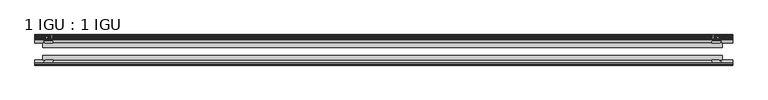
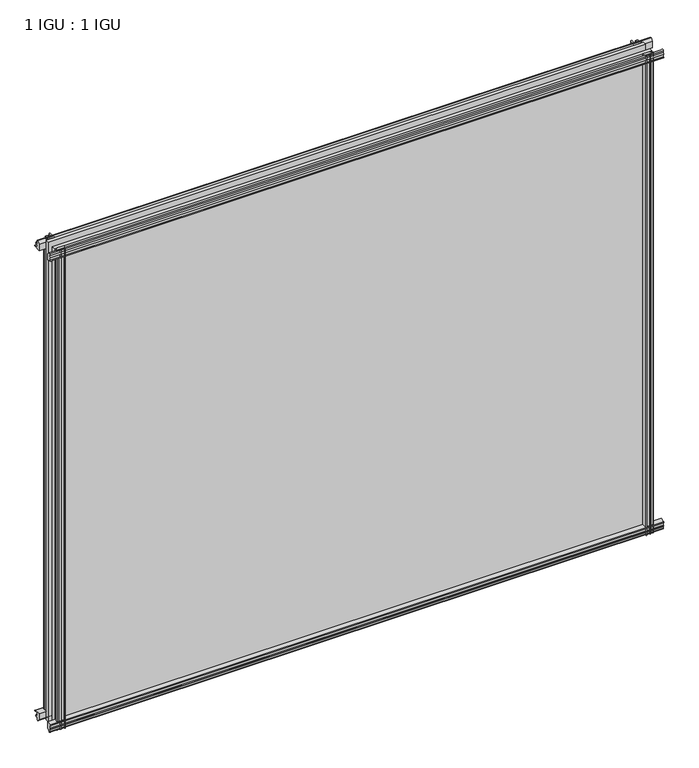
"""IFC4 building model written with IfcOpenShell, lengths in millimetres: plate geometry, 1 IGU : 1 IGU."""

import ifcopenshell
import ifcopenshell.guid

model = None  # the IFC model being written
_history = None  # IfcOwnerHistory: only IFC2X3 demands one
_inside = {}  # id of a spatial element -> (the spatial element, [elements in it])
_under = {}  # id of a project, library or spatial element -> (it, [spatial elements below it])
_declared = {}  # id of a project -> (the project, [libraries it declares])
_typed = {}  # id of a type object -> (the type object, [elements of that type])
_made_of = {}  # id of a material, layer set ... -> (it, [elements and type objects made of it])


def new_model(schema):
    """Start an empty IFC model of exactly this schema.

    Asked for "IFC4X3", IfcOpenShell would pick the latest addendum, in which some entities
    have other attributes; the version numbers below select the first issue.
    IFC2X3 requires an IfcOwnerHistory on every rooted entity: one is made here for all.
    """
    global model, _history
    if schema == "IFC4X3":
        model = ifcopenshell.file(schema_version=(4, 3, 0, 0))
    else:
        model = ifcopenshell.file(schema=schema)
    _inside.clear()
    _under.clear()
    _declared.clear()
    _typed.clear()
    _made_of.clear()
    _history = None
    if model.schema == "IFC2X3":
        org = make("IfcOrganization", Name="unknown")
        user = make(
            "IfcPersonAndOrganization",
            ThePerson=make("IfcPerson", FamilyName="unknown"),
            TheOrganization=org,
        )
        app = make(
            "IfcApplication",
            ApplicationDeveloper=org,
            Version="unknown",
            ApplicationFullName="unknown",
            ApplicationIdentifier="unknown",
        )
        _history = make(
            "IfcOwnerHistory",
            OwningUser=user,
            OwningApplication=app,
            ChangeAction="ADDED",
            CreationDate=0,
        )
    return model


def make(cls, **values):
    """One entity of the class cls with the attributes given. An attribute that is None is left unset."""
    return model.create_entity(
        cls, **{name: value for name, value in values.items() if value is not None}
    )


def rooted(cls, **values):
    """An entity with a GlobalId (a new one), such as an element, a storey or a relation."""
    return make(cls, GlobalId=ifcopenshell.guid.new(), OwnerHistory=_history, **values)


def si_unit(unit_type, name, prefix=None):
    """IfcSIUnit, for example si_unit("LENGTHUNIT", "METRE", prefix="MILLI")."""
    return make("IfcSIUnit", UnitType=unit_type, Prefix=prefix, Name=name)


def assignment(units):
    """IfcUnitAssignment: the units of a project."""
    return None if units is None else make("IfcUnitAssignment", Units=units)


def point(xyz):
    """IfcCartesianPoint."""
    return None if xyz is None else make("IfcCartesianPoint", Coordinates=xyz)


def direction(xyz):
    """IfcDirection."""
    return None if xyz is None else make("IfcDirection", DirectionRatios=xyz)


def frame(location, z_axis=None, x_axis=None):
    """IfcAxis2Placement3D, a coordinate frame: its origin and axes. An axis left out is left unset."""
    return make(
        "IfcAxis2Placement3D",
        Location=point(location),
        Axis=direction(z_axis),
        RefDirection=direction(x_axis),
    )


def frame_2d(location, x_axis=None):
    """IfcAxis2Placement2D, a coordinate frame in the plane: its origin and x axis."""
    return make(
        "IfcAxis2Placement2D", Location=point(location), RefDirection=direction(x_axis)
    )


def origin():
    """The frame at (0, 0, 0) with its axes left unset."""
    return frame((0.0, 0.0, 0.0))


def place(relative_to, where):
    """IfcLocalPlacement: puts the frame where relative to a parent placement (None: the world)."""
    return make(
        "IfcLocalPlacement", PlacementRelTo=relative_to, RelativePlacement=where
    )


def context(
    kind, dimensions, precision=None, world=None, true_north=None, identifier=None
):
    """IfcGeometricRepresentationContext, for example the 3D "Model" context."""
    return make(
        "IfcGeometricRepresentationContext",
        ContextIdentifier=identifier,
        ContextType=kind,
        CoordinateSpaceDimension=dimensions,
        Precision=precision,
        WorldCoordinateSystem=world,
        TrueNorth=true_north,
    )


def project(units=None, contexts=None):
    """IfcProject with its units and contexts."""
    return rooted(
        "IfcProject",
        Name="project",
        RepresentationContexts=contexts,
        UnitsInContext=assignment(units),
    )


def spatial(cls, under=None, at=None, **own):
    """A site, building, storey or space (cls), placed at a placement, below another one or the project."""
    s = rooted(cls, ObjectPlacement=at, **own)
    if under is not None:
        _under.setdefault(under.id(), (under, []))[1].append(s)
    return s


def polyline(points):
    """IfcPolyline through the points."""
    return make("IfcPolyline", Points=[point(p) for p in points])


def circle_curve(where, radius):
    """IfcCircle in the frame where."""
    return make("IfcCircle", Position=where, Radius=radius)


def trimmed(basis, trim1, trim2, sense, master):
    """IfcTrimmedCurve: the piece of a basis curve between two trims."""
    return make(
        "IfcTrimmedCurve",
        BasisCurve=basis,
        Trim1=trim1,
        Trim2=trim2,
        SenseAgreement=sense,
        MasterRepresentation=master,
    )


def segment(curve, same_sense, transition):
    """IfcCompositeCurveSegment."""
    return make(
        "IfcCompositeCurveSegment",
        Transition=transition,
        SameSense=same_sense,
        ParentCurve=curve,
    )


def composite_curve(segments, self_intersect=None):
    """IfcCompositeCurve: segments joined end to end."""
    return make("IfcCompositeCurve", Segments=segments, SelfIntersect=self_intersect)


def outline(outer, holes=None, kind="AREA"):
    """IfcArbitraryClosedProfileDef: a profile drawn as a closed curve; with holes, ...WithVoids."""
    if holes is None:
        return make("IfcArbitraryClosedProfileDef", ProfileType=kind, OuterCurve=outer)
    return make(
        "IfcArbitraryProfileDefWithVoids",
        ProfileType=kind,
        OuterCurve=outer,
        InnerCurves=holes,
    )


def extrude(swept, where, along, depth):
    """IfcExtrudedAreaSolid: the profile swept, set in the frame where, extruded along a direction by depth."""
    return make(
        "IfcExtrudedAreaSolid",
        SweptArea=swept,
        Position=where,
        ExtrudedDirection=direction(along),
        Depth=depth,
    )


def shape(context_of_items, identifier, shape_type, items):
    """IfcShapeRepresentation: the items that make up one representation, for example the "Body"."""
    return make(
        "IfcShapeRepresentation",
        ContextOfItems=context_of_items,
        RepresentationIdentifier=identifier,
        RepresentationType=shape_type,
        Items=items,
    )


def source(mapping_origin, context_of_items, identifier, shape_type, items):
    """IfcRepresentationMap: a shape defined once, which mapped items show again and again."""
    return make(
        "IfcRepresentationMap",
        MappingOrigin=mapping_origin,
        MappedRepresentation=shape(context_of_items, identifier, shape_type, items),
    )


def transform(
    local_origin,
    x_axis=None,
    y_axis=None,
    z_axis=None,
    scale=None,
    scale2=None,
    scale3=None,
    uniform=True,
):
    """IfcCartesianTransformationOperator3D, or its non-uniform kind. x_axis, y_axis, z_axis: its Axis1, 2, 3."""
    if uniform:
        return make(
            "IfcCartesianTransformationOperator3D",
            Axis1=direction(x_axis),
            Axis2=direction(y_axis),
            LocalOrigin=point(local_origin),
            Scale=scale,
            Axis3=direction(z_axis),
        )
    return make(
        "IfcCartesianTransformationOperator3DnonUniform",
        Axis1=direction(x_axis),
        Axis2=direction(y_axis),
        LocalOrigin=point(local_origin),
        Scale=scale,
        Axis3=direction(z_axis),
        Scale2=scale2,
        Scale3=scale3,
    )


def mapped(mapping_source, mapping_target):
    """IfcMappedItem: shows the shape of a source again, moved by a transform."""
    return make(
        "IfcMappedItem", MappingSource=mapping_source, MappingTarget=mapping_target
    )


def made_of(thing, what):
    """Note that an element or type object is made of a material, layer set ...; save() writes the relation."""
    if what is not None:
        _made_of.setdefault(what.id(), (what, []))[1].append(thing)
    return thing


def element(
    cls,
    number,
    at=None,
    inside=None,
    cuts=None,
    type_object=None,
    material=None,
    context=None,
    identifier="Body",
    shape_type=None,
    held_by="IfcProductDefinitionShape",
    body=None,
    shapes=None,
    **own,
):
    """One element of the class cls, such as IfcWall. Its Tag is "e" and its number.

    at: its placement. inside: the storey or other place that contains it. cuts: it is an
    opening in that element (IfcRelVoidsElement). A single representation is given by context,
    identifier, shape_type and body (its items); several are given by shapes. held_by: the class
    of the entity that holds the representations. save() writes the other relations.
    """
    e = rooted(cls, Tag="e%d" % number, ObjectPlacement=at, **own)
    if body is not None:
        shapes = [shape(context, identifier, shape_type, body)]
    if shapes is not None:
        e.Representation = make(held_by, Representations=shapes)
    if inside is not None:
        _inside.setdefault(inside.id(), (inside, []))[1].append(e)
    if cuts is not None:
        rooted(
            "IfcRelVoidsElement", RelatingBuildingElement=cuts, RelatedOpeningElement=e
        )
    if type_object is not None:
        _typed.setdefault(type_object.id(), (type_object, []))[1].append(e)
    return made_of(e, material)


def aggregate(whole, parts):
    """IfcRelAggregates: a whole, such as a stair, and the parts it consists of."""
    return rooted("IfcRelAggregates", RelatingObject=whole, RelatedObjects=parts)


def save(model, path):
    """Write the relations noted so far, then the file.

    IfcRelAggregates (storeys below a building ...), IfcRelContainedInSpatialStructure (elements
    in a storey), IfcRelDefinesByType, IfcRelAssociatesMaterial and IfcRelDeclares: one each for
    every whole, place, type object, material and project.
    """
    for whole, parts in _under.values():
        aggregate(whole, parts)
    for where, things in _inside.values():
        rooted(
            "IfcRelContainedInSpatialStructure",
            RelatedElements=things,
            RelatingStructure=where,
        )
    for kind, things in _typed.values():
        rooted("IfcRelDefinesByType", RelatedObjects=things, RelatingType=kind)
    for what, things in _made_of.values():
        rooted("IfcRelAssociatesMaterial", RelatedObjects=things, RelatingMaterial=what)
    for by, libraries in _declared.values():
        rooted("IfcRelDeclares", RelatingContext=by, RelatedDefinitions=libraries)
    model.write(path)


def plate_1_igu_1_igu_550ed549(model_context):
    return source(origin(), model_context, "Body", "SweptSolid", [
        extrude(outline(composite_curve([segment(polyline([(-57.0900403, 1.731044), (-50.00625, 3.0983599), (-50.00625, -7.92383), (-54.1882244, -12.1058044)]), True, "CONTINUOUS"), segment(trimmed(circle_curve(frame_2d((-55.08625, -11.2077788)), 1.27), [point((-54.1882244, -12.1058044))], [point((-56.35625, -11.2077788))], False, "CARTESIAN"), True, "CONTINUOUS"), segment(polyline([(-56.35625, -11.2077788), (-56.35625, -8.0327788), (-57.835546, -5.4488186), (-56.35625, -5.1879788), (-56.35625, 0.2222212), (-57.65913, 0.0383748)]), True, "CONTINUOUS"), segment(trimmed(circle_curve(frame_2d((-56.9150839, 0.7302212)), 1.016), [point((-57.65913, 0.0383748))], [point((-57.0900403, 1.731044))], False, "CARTESIAN"), True, "CONTINUOUS")], self_intersect=False)), frame((-524.5703249, 0.0, 0.0), z_axis=(1.0, 0.0, 0.0), x_axis=(0.0, 1.0, 0.0)), (0.0, 0.0, 1.0), 1053.1792499),
        extrude(outline(composite_curve([segment(polyline([(-24.60625, 2.5763839), (-12.8423053, 1.6478499)]), True, "CONTINUOUS"), segment(trimmed(circle_curve(frame_2d((-12.92225, 0.635)), 1.016), [point((-12.8423053, 1.6478499))], [point((-12.1291353, 0.0))], False, "CARTESIAN"), True, "CONTINUOUS"), segment(polyline([(-12.1291353, 0.0), (-18.25625, 0.0), (-18.25625, -4.953), (-15.9568457, -5.5691235), (-16.3325195, -4.1670901), (-15.4738114, -3.937), (-14.82725, -6.35), (-15.4738114, -8.763), (-16.3325195, -8.5329099), (-15.9568457, -7.1308765), (-18.25625, -7.747), (-18.25625, -12.7), (-20.28825, -12.7), (-24.60625, -9.1036931), (-24.60625, 2.5763839)]), True, "CONTINUOUS")], self_intersect=False)), frame((-524.5703249, 0.0, 0.0), z_axis=(1.0, 0.0, 0.0), x_axis=(0.0, 1.0, 0.0)), (0.0, 0.0, 1.0), 1053.1792499),
        extrude(outline(composite_curve([segment(polyline([(-20.28825, 857.1484), (-18.25625, 857.1484), (-18.25625, 852.1954), (-15.9568457, 851.5792765), (-16.3325195, 852.9813099), (-15.4738114, 853.2114), (-14.82725, 850.7984), (-15.4738114, 848.3854), (-16.3325195, 848.6154901), (-15.9568457, 850.0175235), (-18.25625, 849.4014), (-18.25625, 844.4484), (-12.1291353, 844.4484)]), True, "CONTINUOUS"), segment(trimmed(circle_curve(frame_2d((-12.92225, 843.8134)), 1.016), [point((-12.1291353, 844.4484))], [point((-12.8423053, 842.8005501))], False, "CARTESIAN"), True, "CONTINUOUS"), segment(polyline([(-12.8423053, 842.8005501), (-24.60625, 841.8720161), (-24.60625, 853.5520931), (-20.28825, 857.1484)]), True, "CONTINUOUS")], self_intersect=False)), frame((-524.5703249, 0.0, 0.0), z_axis=(1.0, 0.0, 0.0), x_axis=(0.0, 1.0, 0.0)), (0.0, 0.0, 1.0), 1053.1792499),
        extrude(outline(composite_curve([segment(trimmed(circle_curve(frame_2d((-56.9150839, 843.7181788)), 1.016), [point((-57.0900403, 842.717356))], [point((-57.65913, 844.4100252))], False, "CARTESIAN"), True, "CONTINUOUS"), segment(polyline([(-57.65913, 844.4100252), (-56.35625, 844.2261788), (-56.35625, 849.6363788), (-57.835546, 849.8972186), (-56.35625, 852.4811788), (-56.35625, 855.6561788)]), True, "CONTINUOUS"), segment(trimmed(circle_curve(frame_2d((-55.08625, 855.6561788)), 1.27), [point((-56.35625, 855.6561788))], [point((-54.1882244, 856.5542044))], False, "CARTESIAN"), True, "CONTINUOUS"), segment(polyline([(-54.1882244, 856.5542044), (-50.00625, 852.37223), (-50.00625, 841.3500401), (-57.0900403, 842.717356)]), True, "CONTINUOUS")], self_intersect=False)), frame((-524.5703249, 0.0, 0.0), z_axis=(1.0, 0.0, 0.0), x_axis=(0.0, 1.0, 0.0)), (0.0, 0.0, 1.0), 1053.1792499),
        extrude(outline(composite_curve([segment(polyline([(497.457541, -24.60625), (498.3860751, -12.8423053)]), True, "CONTINUOUS"), segment(trimmed(circle_curve(frame_2d((499.3989249, -12.92225)), 1.016), [point((498.3860751, -12.8423053))], [point((500.0339249, -12.1291353))], False, "CARTESIAN"), True, "CONTINUOUS"), segment(polyline([(500.0339249, -12.1291353), (500.0339249, -18.25625), (504.9869249, -18.25625), (505.6030485, -15.9568457), (504.2010151, -16.3325195), (503.9709249, -15.4738114), (506.3839249, -14.82725), (508.7969249, -15.4738114), (508.5668348, -16.3325195), (507.1648014, -15.9568457), (507.7809249, -18.25625), (512.7339249, -18.25625), (512.7339249, -20.28825), (509.137618, -24.60625), (497.457541, -24.60625)]), True, "CONTINUOUS")], self_intersect=False)), frame((0.0, 0.0, -12.7), z_axis=(0.0, 0.0, 1.0), x_axis=(1.0, 0.0, 0.0)), (0.0, 0.0, 1.0), 869.8484),
        extrude(outline(composite_curve([segment(polyline([(505.2219037, -56.35625), (499.8117037, -56.35625), (499.9955501, -57.65913)]), True, "CONTINUOUS"), segment(trimmed(circle_curve(frame_2d((499.3037037, -56.9150839)), 1.016), [point((499.9955501, -57.65913))], [point((498.3028809, -57.0900403))], False, "CARTESIAN"), True, "CONTINUOUS"), segment(polyline([(498.3028809, -57.0900403), (496.935565, -50.00625), (507.957755, -50.00625), (512.1397293, -54.1882244)]), True, "CONTINUOUS"), segment(trimmed(circle_curve(frame_2d((511.2417037, -55.08625)), 1.27), [point((512.1397293, -54.1882244))], [point((511.2417037, -56.35625))], False, "CARTESIAN"), True, "CONTINUOUS"), segment(polyline([(511.2417037, -56.35625), (508.0667037, -56.35625), (505.4827435, -57.835546), (505.2219037, -56.35625)]), True, "CONTINUOUS")], self_intersect=False)), frame((0.0, 0.0, -12.7), z_axis=(0.0, 0.0, 1.0), x_axis=(1.0, 0.0, 0.0)), (0.0, 0.0, 1.0), 869.8484),
        extrude(outline(composite_curve([segment(polyline([(-497.457541, -24.60625), (-509.137618, -24.60625), (-512.7339249, -20.28825), (-512.7339249, -18.25625), (-507.7809249, -18.25625), (-507.1648014, -15.9568457), (-508.5668348, -16.3325195), (-508.7969249, -15.4738114), (-506.3839249, -14.82725), (-503.9709249, -15.4738114), (-504.2010151, -16.3325195), (-505.6030485, -15.9568457), (-504.9869249, -18.25625), (-500.0339249, -18.25625), (-500.0339249, -12.1291353)]), True, "CONTINUOUS"), segment(trimmed(circle_curve(frame_2d((-499.3989249, -12.92225)), 1.016), [point((-500.0339249, -12.1291353))], [point((-498.3860751, -12.8423053))], False, "CARTESIAN"), True, "CONTINUOUS"), segment(polyline([(-498.3860751, -12.8423053), (-497.457541, -24.60625)]), True, "CONTINUOUS")], self_intersect=False)), frame((0.0, 0.0, -12.7), z_axis=(0.0, 0.0, 1.0), x_axis=(1.0, 0.0, 0.0)), (0.0, 0.0, 1.0), 869.8484),
        extrude(outline(composite_curve([segment(polyline([(-496.935565, -50.00625), (-498.3028809, -57.0900403)]), True, "CONTINUOUS"), segment(trimmed(circle_curve(frame_2d((-499.3037037, -56.9150839)), 1.016), [point((-498.3028809, -57.0900403))], [point((-499.9955501, -57.65913))], False, "CARTESIAN"), True, "CONTINUOUS"), segment(polyline([(-499.9955501, -57.65913), (-499.8117037, -56.35625), (-505.2219037, -56.35625), (-505.4827435, -57.835546), (-508.0667037, -56.35625), (-511.2417037, -56.35625)]), True, "CONTINUOUS"), segment(trimmed(circle_curve(frame_2d((-511.2417037, -55.08625)), 1.27), [point((-511.2417037, -56.35625))], [point((-512.1397293, -54.1882244))], False, "CARTESIAN"), True, "CONTINUOUS"), segment(polyline([(-512.1397293, -54.1882244), (-507.957755, -50.00625), (-496.935565, -50.00625)]), True, "CONTINUOUS")], self_intersect=False)), frame((0.0, 0.0, -12.7), z_axis=(0.0, 0.0, 1.0), x_axis=(1.0, 0.0, 0.0)), (0.0, 0.0, 1.0), 869.8484),
        extrude(outline(polyline([(-512.7339249, -24.60625), (512.7339249, -24.60625), (512.7339249, -30.95625), (-512.7339249, -30.95625), (-512.7339249, -24.60625)])), frame((0.0, 0.0, -12.7), z_axis=(0.0, 0.0, 1.0), x_axis=(1.0, 0.0, 0.0)), (0.0, 0.0, 1.0), 869.8484),
        extrude(outline(polyline([(512.7339249, -43.65625), (512.7339249, -50.00625), (-512.7339249, -50.00625), (-512.7339249, -43.65625), (512.7339249, -43.65625)])), frame((0.0, 0.0, -12.7), z_axis=(0.0, 0.0, 1.0), x_axis=(1.0, 0.0, 0.0)), (0.0, 0.0, 1.0), 869.8484),
    ])


if __name__ == "__main__":
    model = new_model("IFC4")
    model_context = context("Model", 3, world=origin())
    ifc_project = project(units=[si_unit("LENGTHUNIT", "METRE", prefix="MILLI")], contexts=[model_context])
    site = spatial("IfcSite", under=ifc_project)
    building = spatial("IfcBuilding", under=site)
    placement = place(None, origin())
    plate_1_igu_1_igu_shape = plate_1_igu_1_igu_550ed549(model_context)
    element("IfcPlate", 1, ObjectType="1 IGU : 1 IGU", at=placement, inside=building, context=model_context, shape_type="MappedRepresentation", body=[
        mapped(plate_1_igu_1_igu_shape, transform((0.0, 0.0, 0.0), x_axis=(1.0, 0.0, 0.0), y_axis=(0.0, 1.0, 0.0), z_axis=(0.0, 0.0, 1.0))),
    ])
    save(model, "model.ifc")
